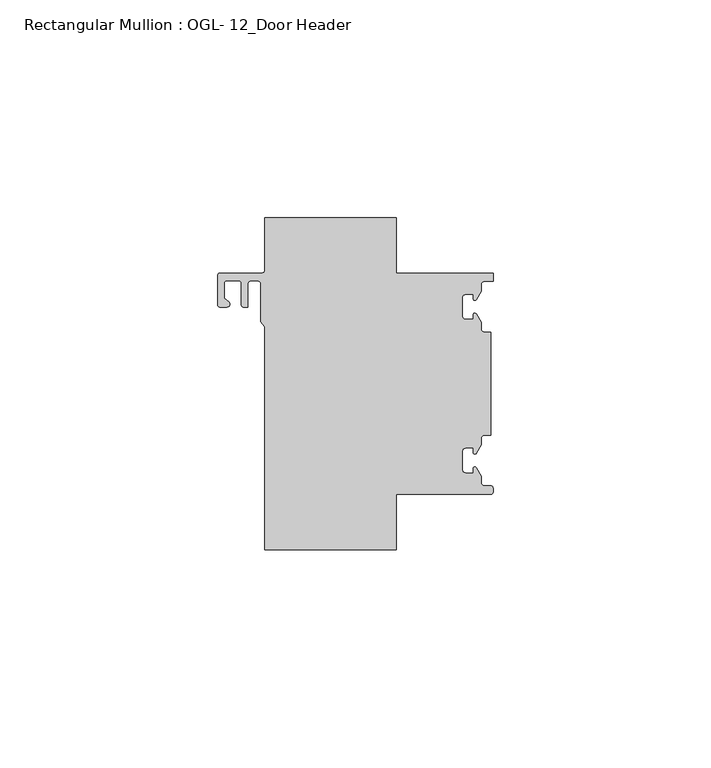
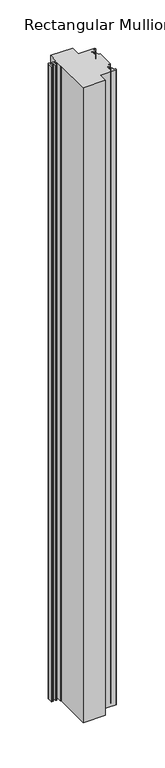
"""IFC4 building model written with IfcOpenShell, lengths in millimetres: member geometry, Rectangular Mullion : OGL- 12_Door Header."""

from ifc_helpers import new_model, si_unit, point, frame, frame_2d, origin, place, context, project, spatial, polyline, circle_curve, trimmed, segment, composite_curve, outline, extrude, source, transform, mapped, element, save


def rectangular_mullion_ogl_12_door_header_23b7bc90(model_context):
    return source(origin(), model_context, "Body", "SweptSolid", [
        extrude(outline(composite_curve([segment(polyline([(-0.499998, -25.4), (-22.2251481, -25.4), (-22.2251481, -38.0996792), (-52.3840406, -38.0996792), (-52.3840406, 13.1007034), (-53.3088744, 14.2427781), (-53.3088744, 22.8326713)]), True, "CONTINUOUS"), segment(trimmed(circle_curve(frame_2d((-54.1026244, 22.8326713)), 0.79375), [point((-53.3088744, 22.8326713))], [point((-54.1026244, 23.6264213))], True, "CARTESIAN"), True, "CONTINUOUS"), segment(polyline([(-54.1026244, 23.6264213), (-55.5148366, 23.6264213)]), True, "CONTINUOUS"), segment(trimmed(circle_curve(frame_2d((-55.5148366, 22.8326713)), 0.79375), [point((-55.5148366, 23.6264213))], [point((-56.3085866, 22.8326713))], True, "CARTESIAN"), True, "CONTINUOUS"), segment(polyline([(-56.3085866, 22.8326713), (-56.3085866, 17.591522), (-57.2874571, 17.591522)]), True, "CONTINUOUS"), segment(trimmed(circle_curve(frame_2d((-57.2874571, 18.099522)), 0.508), [point((-57.2874571, 17.591522))], [point((-57.7954571, 18.099522))], False, "CARTESIAN"), True, "CONTINUOUS"), segment(polyline([(-57.7954571, 18.099522), (-57.7954571, 23.0659093)]), True, "CONTINUOUS"), segment(trimmed(circle_curve(frame_2d((-58.3559691, 23.0659093)), 0.560512), [point((-57.7954571, 23.0659093))], [point((-58.3559691, 23.6264213))], True, "CARTESIAN"), True, "CONTINUOUS"), segment(polyline([(-58.3559691, 23.6264213), (-61.2195209, 23.6264213)]), True, "CONTINUOUS"), segment(trimmed(circle_curve(frame_2d((-61.2195209, 23.1184213)), 0.508), [point((-61.2195209, 23.6264213))], [point((-61.7275209, 23.1184213))], True, "CARTESIAN"), True, "CONTINUOUS"), segment(polyline([(-61.7275209, 23.1184213), (-61.7275209, 19.5583431), (-60.7107824, 18.8161264)]), True, "CONTINUOUS"), segment(trimmed(circle_curve(frame_2d((-61.1102094, 18.2689644)), 0.6774424), [point((-60.7107824, 18.8161264))], [point((-61.1102094, 17.591522))], False, "CARTESIAN"), True, "CONTINUOUS"), segment(polyline([(-61.1102094, 17.591522), (-62.6538794, 17.591522)]), True, "CONTINUOUS"), segment(trimmed(circle_curve(frame_2d((-62.6538794, 18.152034)), 0.560512), [point((-62.6538794, 17.591522))], [point((-63.2143914, 18.152034))], False, "CARTESIAN"), True, "CONTINUOUS"), segment(polyline([(-63.2143914, 18.152034), (-63.2143914, 24.8389838)]), True, "CONTINUOUS"), segment(trimmed(circle_curve(frame_2d((-62.6538794, 24.8389838)), 0.560512), [point((-63.2143914, 24.8389838))], [point((-62.6538794, 25.3994958))], False, "CARTESIAN"), True, "CONTINUOUS"), segment(polyline([(-62.6538794, 25.3994958), (-52.9445526, 25.3994958)]), True, "CONTINUOUS"), segment(trimmed(circle_curve(frame_2d((-52.9445526, 25.9600078)), 0.560512), [point((-52.9445526, 25.3994958))], [point((-52.3840406, 25.9600078))], True, "CARTESIAN"), True, "CONTINUOUS"), segment(polyline([(-52.3840406, 25.9600078), (-52.3840406, 38.100016), (-22.2251481, 38.100016), (-22.2251481, 25.4), (0.0, 25.4), (0.0, 23.488176), (-1.9402262, 23.488176)]), True, "CONTINUOUS"), segment(trimmed(circle_curve(frame_2d((-1.9402262, 22.6881792)), 0.7999968), [point((-1.9402262, 23.488176))], [point((-2.740223, 22.6881792))], True, "CARTESIAN"), True, "CONTINUOUS"), segment(polyline([(-2.740223, 22.6881792), (-2.740223, 21.2092123), (-3.8672118, 19.3044004)]), True, "CONTINUOUS"), segment(trimmed(circle_curve(frame_2d((-4.1787384, 19.4887162)), 0.3619684), [point((-3.8672118, 19.3044004))], [point((-4.5407068, 19.4887162))], False, "CARTESIAN"), True, "CONTINUOUS"), segment(polyline([(-4.5407068, 19.4887162), (-4.5407068, 20.5271706), (-6.2406988, 20.5271706)]), True, "CONTINUOUS"), segment(trimmed(circle_curve(frame_2d((-6.2406988, 19.7271738)), 0.7999968), [point((-6.2406988, 20.5271706))], [point((-7.0406862, 19.7232992))], True, "CARTESIAN"), True, "CONTINUOUS"), segment(polyline([(-7.0406862, 19.7232992), (-7.0406862, 15.5589926)]), True, "CONTINUOUS"), segment(trimmed(circle_curve(frame_2d((-6.2468661, 15.5589926)), 0.7938201), [point((-7.0406862, 15.5589926))], [point((-6.2468661, 14.7651725))], True, "CARTESIAN"), True, "CONTINUOUS"), segment(polyline([(-6.2468661, 14.7651725), (-4.5407047, 14.7651725), (-4.5407047, 15.814276)]), True, "CONTINUOUS"), segment(trimmed(circle_curve(frame_2d((-4.1816507, 15.814276)), 0.359054), [point((-4.5407047, 15.814276))], [point((-3.8726324, 15.9971078))], False, "CARTESIAN"), True, "CONTINUOUS"), segment(polyline([(-3.8726324, 15.9971078), (-2.740223, 14.0831341), (-2.740223, 12.6041672)]), True, "CONTINUOUS"), segment(trimmed(circle_curve(frame_2d((-1.9402262, 12.6041672)), 0.7999968), [point((-2.740223, 12.6041672))], [point((-1.9402262, 11.8041704))], True, "CARTESIAN"), True, "CONTINUOUS"), segment(polyline([(-1.9402262, 11.8041704), (-0.508, 11.8041704), (-0.508, -11.8041704), (-1.9402262, -11.8041704)]), True, "CONTINUOUS"), segment(trimmed(circle_curve(frame_2d((-1.9402262, -12.6041672)), 0.7999968), [point((-1.9402262, -11.8041704))], [point((-2.740223, -12.6041672))], True, "CARTESIAN"), True, "CONTINUOUS"), segment(polyline([(-2.740223, -12.6041672), (-2.740223, -14.0831341), (-3.8640059, -15.9825274)]), True, "CONTINUOUS"), segment(trimmed(circle_curve(frame_2d((-4.1770154, -15.7973343)), 0.3636914), [point((-3.8640059, -15.9825274))], [point((-4.5407068, -15.7973343))], False, "CARTESIAN"), True, "CONTINUOUS"), segment(polyline([(-4.5407068, -15.7973343), (-4.5407068, -14.7651758), (-6.2371977, -14.7651758)]), True, "CONTINUOUS"), segment(trimmed(circle_curve(frame_2d((-6.2371977, -15.5686737)), 0.8034979), [point((-6.2371977, -14.7651758))], [point((-7.0406956, -15.5686737))], True, "CARTESIAN"), True, "CONTINUOUS"), segment(polyline([(-7.0406956, -15.5686737), (-7.0406956, -19.7271738)]), True, "CONTINUOUS"), segment(trimmed(circle_curve(frame_2d((-6.2406988, -19.7271738)), 0.7999968), [point((-7.0406956, -19.7271738))], [point((-6.2406988, -20.5271706))], True, "CARTESIAN"), True, "CONTINUOUS"), segment(polyline([(-6.2406988, -20.5271706), (-4.5407047, -20.5271706), (-4.5407047, -19.4902501)]), True, "CONTINUOUS"), segment(trimmed(circle_curve(frame_2d((-4.1783175, -19.4902501)), 0.3623872), [point((-4.5407047, -19.4902501))], [point((-3.8664305, -19.305721))], False, "CARTESIAN"), True, "CONTINUOUS"), segment(polyline([(-3.8664305, -19.305721), (-2.740223, -21.2092123), (-2.740223, -22.6881792)]), True, "CONTINUOUS"), segment(trimmed(circle_curve(frame_2d((-1.9402262, -22.6881792)), 0.7999968), [point((-2.740223, -22.6881792))], [point((-1.9402262, -23.488176))], True, "CARTESIAN"), True, "CONTINUOUS"), segment(polyline([(-1.9402262, -23.488176), (-0.499998, -23.488176)]), True, "CONTINUOUS"), segment(trimmed(circle_curve(frame_2d((-0.499998, -23.988174)), 0.499998), [point((-0.499998, -23.488176))], [point((0.0, -23.988174))], False, "CARTESIAN"), True, "CONTINUOUS"), segment(polyline([(0.0, -23.988174), (0.0, -24.900002)]), True, "CONTINUOUS"), segment(trimmed(circle_curve(frame_2d((-0.499998, -24.900002)), 0.499998), [point((0.0, -24.900002))], [point((-0.499998, -25.4))], False, "CARTESIAN"), True, "CONTINUOUS")], self_intersect=False)), frame((0.0, 0.0, -908.05), z_axis=(0.0, 0.0, 1.0), x_axis=(1.0, 0.0, 0.0)), (0.0, 0.0, 1.0), 908.05),
    ])


if __name__ == "__main__":
    model = new_model("IFC4")
    model_context = context("Model", 3, world=origin())
    ifc_project = project(units=[si_unit("LENGTHUNIT", "METRE", prefix="MILLI")], contexts=[model_context])
    site = spatial("IfcSite", under=ifc_project)
    building = spatial("IfcBuilding", under=site)
    placement = place(None, origin())
    rectangular_mullion_ogl_12_door_header_shape = rectangular_mullion_ogl_12_door_header_23b7bc90(model_context)
    element("IfcMember", 1, ObjectType="Rectangular Mullion : OGL- 12_Door Header", at=placement, inside=building, context=model_context, shape_type="MappedRepresentation", body=[
        mapped(rectangular_mullion_ogl_12_door_header_shape, transform((0.0, 0.0, 0.0), x_axis=(1.0, 0.0, 0.0), y_axis=(0.0, 1.0, 0.0), z_axis=(0.0, 0.0, 1.0))),
    ])
    save(model, "model.ifc")
